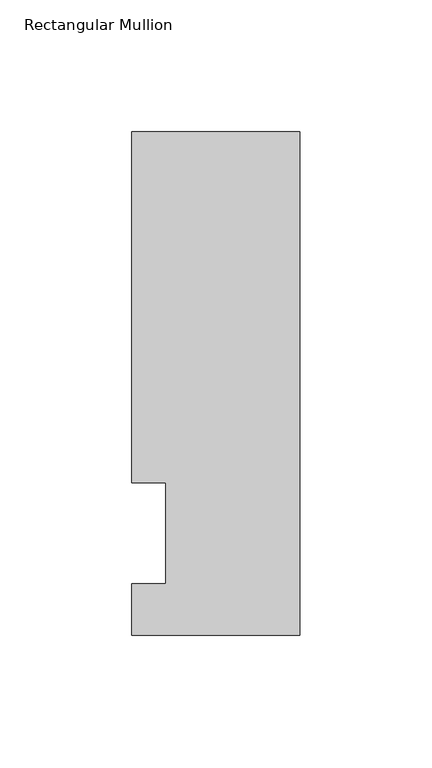
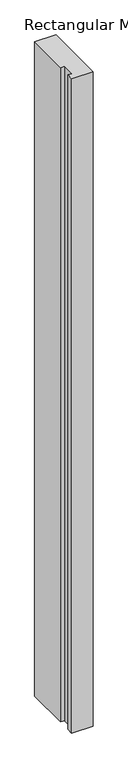
"""IFC4 building model written with IfcOpenShell, lengths in millimetres: member geometry, Rectangular Mullion."""

from ifc_helpers import new_model, si_unit, frame, origin, place, context, project, spatial, polyline, outline, extrude, source, transform, mapped, element, save


def rectangular_mullion_65bc7142(model_context):
    return source(origin(), model_context, "Body", "SweptSolid", [
        extrude(outline(polyline([(-19.05, 57.6460937), (-31.75, 57.6460937), (-31.75, 190.5896938), (31.75, 190.5896937), (31.75, 0.0134937), (-31.75, 0.0134937), (-31.75, 19.5460937), (-19.05, 19.5460937), (-19.05, 57.6460937)])), frame((0.0, 0.0, -2057.4), z_axis=(0.0, 0.0, 1.0), x_axis=(1.0, 0.0, 0.0)), (0.0, 0.0, 1.0), 2057.4),
    ])


if __name__ == "__main__":
    model = new_model("IFC4")
    model_context = context("Model", 3, world=origin())
    ifc_project = project(units=[si_unit("LENGTHUNIT", "METRE", prefix="MILLI")], contexts=[model_context])
    site = spatial("IfcSite", under=ifc_project)
    building = spatial("IfcBuilding", under=site)
    placement = place(None, origin())
    rectangular_mullion_shape = rectangular_mullion_65bc7142(model_context)
    element("IfcMember", 1, ObjectType="Rectangular Mullion", at=placement, inside=building, context=model_context, shape_type="MappedRepresentation", body=[
        mapped(rectangular_mullion_shape, transform((0.0, 0.0, 0.0), x_axis=(1.0, 0.0, 0.0), y_axis=(0.0, 1.0, 0.0), z_axis=(0.0, 0.0, 1.0))),
    ])
    save(model, "model.ifc")
